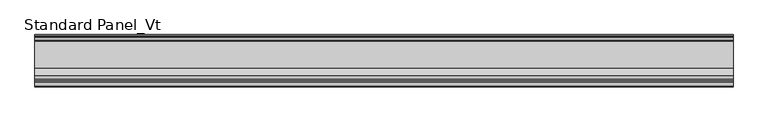
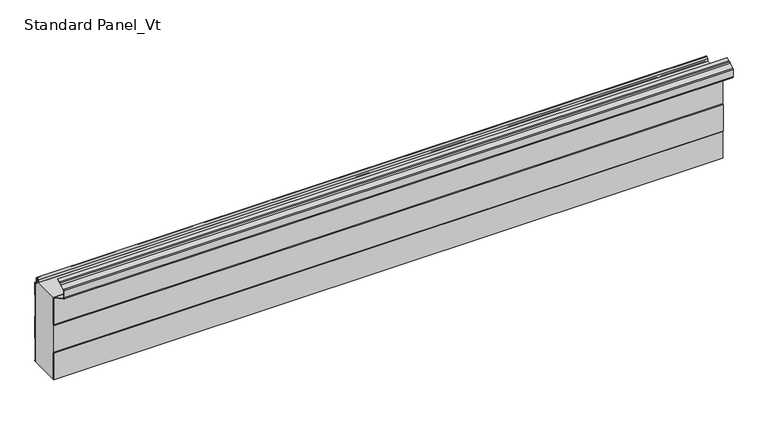
"""IFC4 building model written with IfcOpenShell, lengths in millimetres: proxy geometry, Standard Panel_Vt."""

from ifc_helpers import new_model, si_unit, point, frame, frame_2d, origin, place, context, project, spatial, polyline, circle_curve, trimmed, segment, composite_curve, outline, extrude, source, transform, mapped, element, save


def standard_panel_vt_0ebc02aa(model_context):
    return source(origin(), model_context, "Body", "SweptSolid", [
        extrude(outline(composite_curve([segment(trimmed(circle_curve(frame_2d((-71.75, 186.656399)), 1.75), [point((-70.0, 186.656399))], [point((-70.9284248, 188.2015573))], True, "CARTESIAN"), True, "CONTINUOUS"), segment(polyline([(-70.9284248, 188.2015573), (-106.8563836, 207.3047918)]), True, "CONTINUOUS"), segment(trimmed(circle_curve(frame_2d((-105.5183897, 209.8211925)), 2.85), [point((-106.8563836, 207.3047918))], [point((-108.3683897, 209.8211925))], False, "CARTESIAN"), True, "CONTINUOUS"), segment(polyline([(-108.3683897, 209.8211925), (-108.3683897, 226.562)]), True, "CONTINUOUS"), segment(trimmed(circle_curve(frame_2d((-105.5183897, 226.562)), 2.85), [point((-108.3683897, 226.562))], [point((-106.8563836, 229.0784006))], False, "CARTESIAN"), True, "CONTINUOUS"), segment(polyline([(-106.8563836, 229.0784006), (-97.6702585, 233.96275), (-95.3708693, 236.3802976), (-92.000038, 236.9776597), (-86.2289737, 240.046189), (-85.8533964, 239.339831), (-91.7360251, 236.2119818), (-94.9723908, 235.638449), (-97.1800551, 233.3173397), (-106.4808064, 228.3720426)]), True, "CONTINUOUS"), segment(trimmed(circle_curve(frame_2d((-105.5183897, 226.562)), 2.05), [point((-106.4808064, 228.3720426))], [point((-107.5683897, 226.562))], True, "CARTESIAN"), True, "CONTINUOUS"), segment(polyline([(-107.5683897, 226.562), (-107.5683897, 209.8211925)]), True, "CONTINUOUS"), segment(trimmed(circle_curve(frame_2d((-105.5183897, 209.8211925)), 2.05), [point((-107.5683897, 209.8211925))], [point((-106.4808064, 208.0111499))], True, "CARTESIAN"), True, "CONTINUOUS"), segment(polyline([(-106.4808064, 208.0111499), (-70.5528475, 188.9079153)]), True, "CONTINUOUS"), segment(trimmed(circle_curve(frame_2d((-71.75, 186.656399)), 2.55), [point((-70.5528475, 188.9079153))], [point((-69.2, 186.656399))], False, "CARTESIAN"), True, "CONTINUOUS"), segment(polyline([(-69.2, 186.656399), (-69.2, 125.3618275), (-70.1683897, 122.9801942), (-70.1683897, 63.1888535), (-69.2, 60.8072201), (-69.2, 0.0), (-70.0, 0.0), (-70.0, 60.6507954), (-70.9683897, 63.0324287), (-70.9683897, 123.1366189), (-70.0, 125.5182523), (-70.0, 186.656399)]), True, "CONTINUOUS")], self_intersect=False)), frame((-723.9042608, 0.0, 0.0), z_axis=(1.0, 0.0, 0.0), x_axis=(0.0, 1.0, 0.0)), (0.0, 0.0, 1.0), 1447.8085217),
        extrude(outline(composite_curve([segment(polyline([(0.0, 3.3187443), (0.0, 0.0), (-0.8, 0.0), (-0.8, 3.1043849), (-1.8, 4.8364357), (-1.8, 51.3010528), (-0.786297, 53.0331036), (-0.786297, 102.1025902), (-1.786297, 103.8770917), (-1.786297, 150.3010528), (-0.786297, 152.0331036), (-0.786297, 179.046399)]), True, "CONTINUOUS"), segment(trimmed(circle_curve(frame_2d((-2.036297, 179.046399)), 1.25), [point((-0.786297, 179.046399))], [point((-2.036297, 180.296399))], True, "CARTESIAN"), True, "CONTINUOUS"), segment(polyline([(-2.036297, 180.296399), (-3.436297, 180.296399)]), True, "CONTINUOUS"), segment(trimmed(circle_curve(frame_2d((-3.436297, 183.046399)), 2.75), [point((-3.436297, 180.296399))], [point((-6.186297, 183.046399))], False, "CARTESIAN"), True, "CONTINUOUS"), segment(polyline([(-6.186297, 183.046399), (-6.186297, 192.846399)]), True, "CONTINUOUS"), segment(trimmed(circle_curve(frame_2d((-9.036297, 192.846399)), 2.85), [point((-6.186297, 192.846399))], [point((-11.8132517, 193.4875095))], True, "CARTESIAN"), True, "CONTINUOUS"), segment(polyline([(-11.8132517, 193.4875095), (-13.0699171, 188.0442938), (-13.8494131, 188.2242547), (-12.5927478, 193.6674703)]), True, "CONTINUOUS"), segment(trimmed(circle_curve(frame_2d((-9.036297, 192.846399)), 3.65), [point((-12.5927478, 193.6674703))], [point((-5.386297, 192.846399))], False, "CARTESIAN"), True, "CONTINUOUS"), segment(polyline([(-5.386297, 192.846399), (-5.386297, 183.046399)]), True, "CONTINUOUS"), segment(trimmed(circle_curve(frame_2d((-3.436297, 183.046399)), 1.95), [point((-5.386297, 183.046399))], [point((-3.436297, 181.096399))], True, "CARTESIAN"), True, "CONTINUOUS"), segment(polyline([(-3.436297, 181.096399), (-2.036297, 181.096399)]), True, "CONTINUOUS"), segment(trimmed(circle_curve(frame_2d((-2.036297, 179.046399)), 2.05), [point((-2.036297, 181.096399))], [point((0.013703, 179.046399))], False, "CARTESIAN"), True, "CONTINUOUS"), segment(polyline([(0.013703, 179.046399), (0.013703, 151.8187443), (-0.986297, 150.0866935), (-0.986297, 104.0869897), (0.013703, 102.3124882), (0.013703, 52.8187443), (-1.0, 51.0866935), (-1.0, 5.0507951), (0.0, 3.3187443)]), True, "CONTINUOUS")], self_intersect=False)), frame((-723.9042608, 0.0, 0.0), z_axis=(1.0, 0.0, 0.0), x_axis=(0.0, 1.0, 0.0)), (0.0, 0.0, 1.0), 1447.8085217),
        extrude(outline(composite_curve([segment(trimmed(circle_curve(frame_2d((-71.75, 186.656399)), 2.55), [point((-69.2, 186.656399))], [point((-69.6107833, 188.0442938))], True, "CARTESIAN"), True, "CONTINUOUS"), segment(polyline([(-69.6107833, 188.0442938), (-13.0699171, 188.0442938), (-11.8132517, 193.4875095)]), True, "CONTINUOUS"), segment(trimmed(circle_curve(frame_2d((-9.036297, 192.846399)), 2.85), [point((-11.8132517, 193.4875095))], [point((-6.186297, 192.846399))], False, "CARTESIAN"), True, "CONTINUOUS"), segment(polyline([(-6.186297, 192.846399), (-6.186297, 183.046399)]), True, "CONTINUOUS"), segment(trimmed(circle_curve(frame_2d((-3.436297, 183.046399)), 2.75), [point((-6.186297, 183.046399))], [point((-3.436297, 180.296399))], True, "CARTESIAN"), True, "CONTINUOUS"), segment(polyline([(-3.436297, 180.296399), (-2.036297, 180.296399)]), True, "CONTINUOUS"), segment(trimmed(circle_curve(frame_2d((-2.036297, 179.046399)), 1.25), [point((-2.036297, 180.296399))], [point((-0.786297, 179.046399))], False, "CARTESIAN"), True, "CONTINUOUS"), segment(polyline([(-0.786297, 179.046399), (-0.786297, 152.0331036), (-1.786297, 150.3010528), (-1.786297, 103.8770917), (-0.786297, 102.1025902), (-0.786297, 53.0331036), (-1.8, 51.3010528), (-1.8, 4.8364357), (-0.8, 3.1043849), (-0.8, 0.0), (-69.2, 0.0), (-69.2, 60.8072201), (-70.1683897, 63.1888535), (-70.1683897, 122.9801942), (-69.2, 125.3618275), (-69.2, 186.656399)]), True, "CONTINUOUS")], self_intersect=False)), frame((-723.9042608, 0.0, 0.0), z_axis=(1.0, 0.0, 0.0), x_axis=(0.0, 1.0, 0.0)), (0.0, 0.0, 1.0), 1447.8085217),
    ])


if __name__ == "__main__":
    model = new_model("IFC4")
    model_context = context("Model", 3, world=origin())
    ifc_project = project(units=[si_unit("LENGTHUNIT", "METRE", prefix="MILLI")], contexts=[model_context])
    site = spatial("IfcSite", under=ifc_project)
    building = spatial("IfcBuilding", under=site)
    placement = place(None, origin())
    standard_panel_vt_shape = standard_panel_vt_0ebc02aa(model_context)
    element("IfcBuildingElementProxy", 1, Name="Standard Panel_Vt", ObjectType="Standard Panel_Vt", at=placement, inside=building, context=model_context, shape_type="MappedRepresentation", body=[
        mapped(standard_panel_vt_shape, transform((0.0, 0.0, 0.0), x_axis=(1.0, 0.0, 0.0), y_axis=(0.0, 1.0, 0.0), z_axis=(0.0, 0.0, 1.0))),
    ])
    save(model, "model.ifc")
